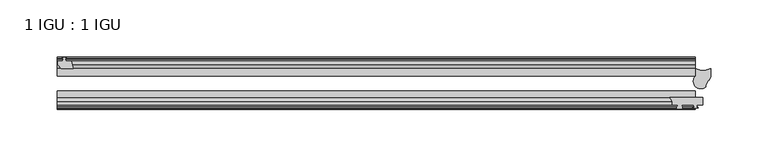
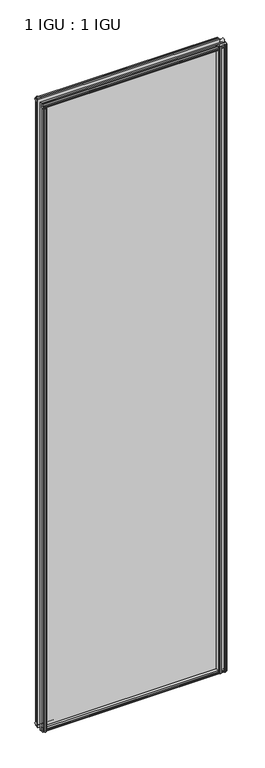
"""IFC4 building model written with IfcOpenShell, lengths in millimetres: plate geometry, 1 IGU : 1 IGU."""

from ifc_helpers import new_model, si_unit, point, frame, frame_2d, origin, place, context, project, spatial, polyline, circle_curve, trimmed, segment, composite_curve, outline, extrude, source, transform, mapped, element, save


def plate_1_igu_1_igu_b30f1d55(model_context):
    return source(origin(), model_context, "Body", "SweptSolid", [
        extrude(outline(composite_curve([segment(polyline([(259.5226386, -44.9460938), (259.5226386, -51.2960937), (254.4426386, -51.2960937), (254.1251386, -53.4006957), (255.3437444, -53.0741712), (255.5475386, -53.8347412), (253.1726386, -54.4710938), (250.7977386, -53.8347412), (251.0015327, -53.0741712), (252.2201386, -53.4006957), (251.9026386, -51.2960937), (241.5140386, -51.2960937)]), True, "CONTINUOUS"), segment(trimmed(circle_curve(frame_2d((241.5140386, -51.7532937)), 0.4572), [point((241.5140386, -51.2960937))], [point((241.1752207, -52.0602698))], True, "CARTESIAN"), True, "CONTINUOUS"), segment(trimmed(circle_curve(frame_2d((239.4058386, -53.663367)), 2.3876), [point((241.1752207, -52.0602698))], [point((241.4764816, -54.8520937))], False, "CARTESIAN"), True, "CONTINUOUS"), segment(polyline([(241.4764816, -54.8520937), (237.3351955, -54.8520937)]), True, "CONTINUOUS"), segment(trimmed(circle_curve(frame_2d((239.4058386, -53.663367)), 2.3876), [point((237.3351955, -54.8520937))], [point((237.6364564, -52.0602698))], False, "CARTESIAN"), True, "CONTINUOUS"), segment(trimmed(circle_curve(frame_2d((237.2976386, -51.7532937)), 0.4572), [point((237.6364564, -52.0602698))], [point((237.2976386, -51.2960937))], True, "CARTESIAN"), True, "CONTINUOUS"), segment(polyline([(237.2976386, -51.2960937), (233.0558386, -51.2960937)]), True, "CONTINUOUS"), segment(trimmed(circle_curve(frame_2d((225.9264382, -50.3546963)), 7.1912849), [point((233.0558386, -51.2960937))], [point((230.665805, -44.9460938))], True, "CARTESIAN"), True, "CONTINUOUS"), segment(polyline([(230.665805, -44.9460938), (259.5226386, -44.9460938)]), True, "CONTINUOUS")], self_intersect=False)), frame((0.0, 0.0, -10.7152524), z_axis=(0.0, 0.0, 1.0), x_axis=(1.0, 0.0, 0.0)), (0.0, 0.0, 1.0), 2017.0739524),
        extrude(outline(polyline([(-295.7889531, -9.7670937), (-293.6114241, -10.4746158), (-293.6114241, -11.27583), (-295.0269531, -10.8158968), (-294.6459531, -13.1960937), (-289.4389531, -13.1960937), (-287.721235, -19.5460937), (-298.542611, -19.5460937), (-301.3769531, -16.1424937), (-301.3769531, -13.1960937), (-296.9319531, -13.1960937), (-296.5509531, -10.8158968), (-297.9664822, -11.27583), (-297.9664822, -10.4746158), (-295.7889531, -9.7670937)])), frame((0.0, 0.0, -12.4587), z_axis=(0.0, 0.0, 1.0), x_axis=(1.0, 0.0, 0.0)), (0.0, 0.0, 1.0), 2018.8173999),
        extrude(outline(composite_curve([segment(polyline([(266.2980233, -19.5460937), (266.2980233, -26.5843929), (265.1389687, -29.3825984), (263.9162381, -30.2777969), (262.3032044, -34.1720046), (262.1384789, -35.5470774)]), True, "CONTINUOUS"), segment(trimmed(circle_curve(frame_2d((257.8682679, -30.6663847)), 6.4850492), [point((262.1384789, -35.5470774))], [point((251.3876989, -30.9074026))], False, "CARTESIAN"), True, "CONTINUOUS"), segment(trimmed(circle_curve(frame_2d((265.4735468, -32.4073837)), 14.1654881), [point((251.3876989, -30.9074026))], [point((252.8932386, -25.8960938))], False, "CARTESIAN"), True, "CONTINUOUS"), segment(polyline([(252.8932386, -25.8960938), (252.8932386, -19.5460937)]), True, "CONTINUOUS"), segment(trimmed(circle_curve(frame_2d((259.5956309, -6.7014927)), 14.4881276), [point((252.8932386, -19.5460937))], [point((266.2980233, -19.5460937))], True, "CARTESIAN"), True, "CONTINUOUS")], self_intersect=False)), frame((0.0, 0.0, -6.35), z_axis=(0.0, 0.0, 1.0), x_axis=(1.0, 0.0, 0.0)), (0.0, 0.0, 1.0), 2009.0653047),
        extrude(outline(polyline([(-287.200535, -44.9460937), (-288.9182531, -51.2960937), (-294.1252531, -51.2960937), (-294.5062531, -53.6762907), (-293.0907241, -53.2163575), (-293.0907241, -54.0175717), (-295.2682531, -54.7250937), (-297.4457822, -54.0175717), (-297.4457822, -53.2163575), (-296.0302531, -53.6762907), (-296.4112531, -51.2960937), (-300.8562531, -51.2960937), (-300.8562531, -48.3496937), (-298.021911, -44.9460937), (-287.200535, -44.9460937)])), frame((0.0, 0.0, -12.4587), z_axis=(0.0, 0.0, 1.0), x_axis=(1.0, 0.0, 0.0)), (0.0, 0.0, 1.0), 2006.1173999),
        extrude(outline(polyline([(-10.4746158, -4.6931709), (-9.7670937, -6.8707), (-10.4746158, -9.0482291), (-11.27583, -9.0482291), (-10.8158968, -7.6327), (-13.1960937, -8.0137), (-13.1960937, -12.4587), (-16.1424937, -12.4587), (-19.5460937, -9.6243578), (-19.5460937, 1.1970181), (-13.1960937, -0.5207), (-13.1960937, -5.7277), (-10.8158968, -6.1087), (-11.27583, -4.6931709), (-10.4746158, -4.6931709)])), frame((-301.6182531, 0.0, 0.0), z_axis=(1.0, 0.0, 0.0), x_axis=(0.0, 1.0, 0.0)), (0.0, 0.0, 1.0), 554.8177562),
        extrude(outline(polyline([(-44.9460937, 1.7177181), (-44.9460937, -9.1036578), (-48.3496937, -11.938), (-51.2960937, -11.938), (-51.2960937, -7.493), (-53.6762907, -7.112), (-53.2163575, -8.5275291), (-54.0175717, -8.5275291), (-54.7250937, -6.35), (-54.0175717, -4.1724709), (-53.2163575, -4.1724709), (-53.6762907, -5.588), (-51.2960937, -5.207), (-51.2960937, 0.0), (-44.9460937, 1.7177181)])), frame((-301.6182531, 0.0, 0.0), z_axis=(1.0, 0.0, 0.0), x_axis=(0.0, 1.0, 0.0)), (0.0, 0.0, 1.0), 554.8177562),
        extrude(outline(polyline([(-10.8158968, 2001.5326999), (-11.27583, 2002.948229), (-10.4746158, 2002.948229), (-9.7670937, 2000.7706999), (-10.4746158, 1998.5931709), (-11.27583, 1998.5931709), (-10.8158968, 2000.0086999), (-13.1960937, 1999.6276999), (-13.1960937, 1994.4206999), (-19.5460938, 1992.7029819), (-19.5460938, 2003.5243578), (-16.1424937, 2006.3586999), (-13.1960937, 2006.3586999), (-13.1960937, 2001.9136999), (-10.8158968, 2001.5326999)])), frame((-301.6182531, 0.0, 0.0), z_axis=(1.0, 0.0, 0.0), x_axis=(0.0, 1.0, 0.0)), (0.0, 0.0, 1.0), 554.8177562),
        extrude(outline(polyline([(-51.2960937, 2005.8379999), (-48.3496937, 2005.8379999), (-44.9460938, 2003.0036578), (-44.9460938, 1992.1822819), (-51.2960937, 1993.8999999), (-51.2960937, 1999.1069999), (-53.6762907, 1999.4879999), (-53.2163575, 1998.0724709), (-54.0175717, 1998.0724709), (-54.7250937, 2000.2499999), (-54.0175717, 2002.427529), (-53.2163575, 2002.427529), (-53.6762907, 2001.0119999), (-51.2960937, 2001.3929999), (-51.2960937, 2005.8379999)])), frame((-301.6182531, 0.0, 0.0), z_axis=(1.0, 0.0, 0.0), x_axis=(0.0, 1.0, 0.0)), (0.0, 0.0, 1.0), 554.8177562),
        extrude(outline(polyline([(-301.6182531, -38.9186738), (253.1995031, -38.9186738), (253.1995031, -44.9460937), (-301.6182531, -44.9460937), (-301.6182531, -38.9186738)])), frame((0.0, 0.0, -12.7), z_axis=(0.0, 0.0, 1.0), x_axis=(1.0, 0.0, 0.0)), (0.0, 0.0, 1.0), 2019.2999999),
        extrude(outline(polyline([(-301.6182531, -19.5460937), (253.1995031, -19.5460937), (253.1995031, -25.8960938), (-301.6182531, -25.8960938), (-301.6182531, -19.5460937)])), frame((0.0, 0.0, -12.7), z_axis=(0.0, 0.0, 1.0), x_axis=(1.0, 0.0, 0.0)), (0.0, 0.0, 1.0), 2019.2999999),
    ])


if __name__ == "__main__":
    model = new_model("IFC4")
    model_context = context("Model", 3, world=origin())
    ifc_project = project(units=[si_unit("LENGTHUNIT", "METRE", prefix="MILLI")], contexts=[model_context])
    site = spatial("IfcSite", under=ifc_project)
    building = spatial("IfcBuilding", under=site)
    placement = place(None, origin())
    plate_1_igu_1_igu_shape = plate_1_igu_1_igu_b30f1d55(model_context)
    element("IfcPlate", 1, ObjectType="1 IGU : 1 IGU", at=placement, inside=building, context=model_context, shape_type="MappedRepresentation", body=[
        mapped(plate_1_igu_1_igu_shape, transform((0.0, 0.0, 0.0), x_axis=(1.0, 0.0, 0.0), y_axis=(0.0, 1.0, 0.0), z_axis=(0.0, 0.0, 1.0))),
    ])
    save(model, "model.ifc")
